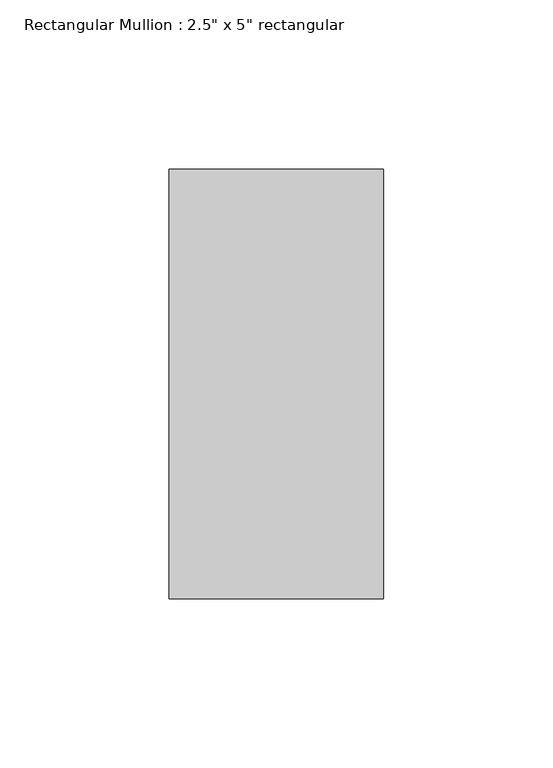
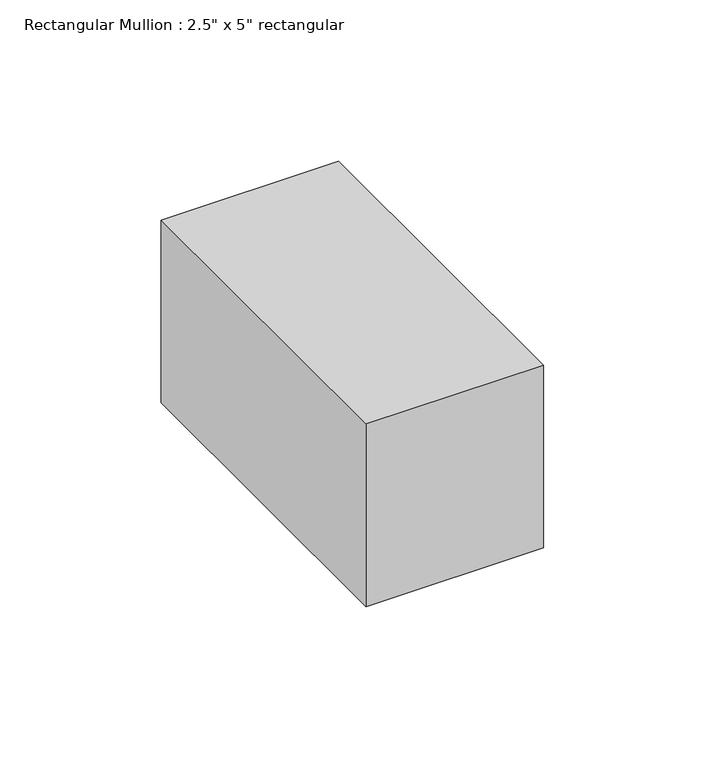
"""IFC4 building model written with IfcOpenShell, lengths in millimetres: member geometry."""

from ifc_helpers import new_model, si_unit, frame, origin, place, context, project, spatial, polyline, outline, extrude, source, transform, mapped, element, save


def member_f282ac9c(model_context):
    return source(origin(), model_context, "Body", "SweptSolid", [
        extrude(outline(polyline([(31.75, 63.5), (31.75, -63.5), (-31.75, -63.5), (-31.75, 63.5), (31.75, 63.5)])), frame((0.0, 0.0, -69.0899858), z_axis=(0.0, 0.0, 1.0), x_axis=(1.0, 0.0, 0.0)), (0.0, 0.0, 1.0), 69.0899858),
    ])


if __name__ == "__main__":
    model = new_model("IFC4")
    model_context = context("Model", 3, world=origin())
    ifc_project = project(units=[si_unit("LENGTHUNIT", "METRE", prefix="MILLI")], contexts=[model_context])
    site = spatial("IfcSite", under=ifc_project)
    building = spatial("IfcBuilding", under=site)
    placement = place(None, origin())
    member_shape = member_f282ac9c(model_context)
    element("IfcMember", 1, ObjectType="Rectangular Mullion : 2.5\" x 5\" rectangular", at=placement, inside=building, context=model_context, shape_type="MappedRepresentation", body=[
        mapped(member_shape, transform((0.0, 0.0, 0.0), x_axis=(1.0, 0.0, 0.0), y_axis=(0.0, 1.0, 0.0), z_axis=(0.0, 0.0, 1.0))),
    ])
    save(model, "model.ifc")
